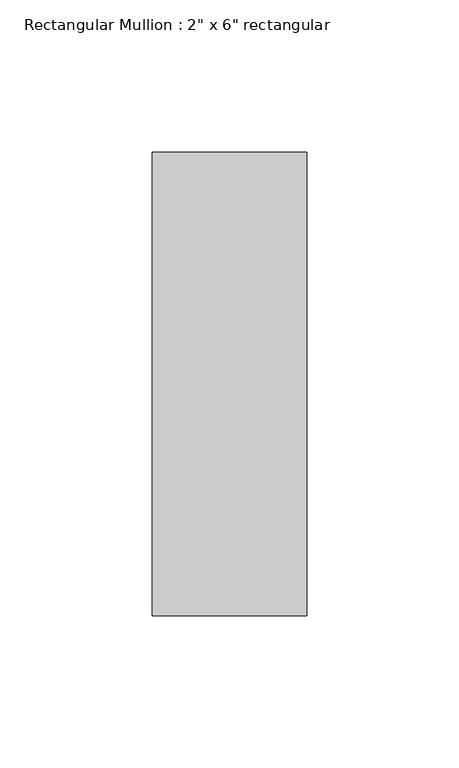
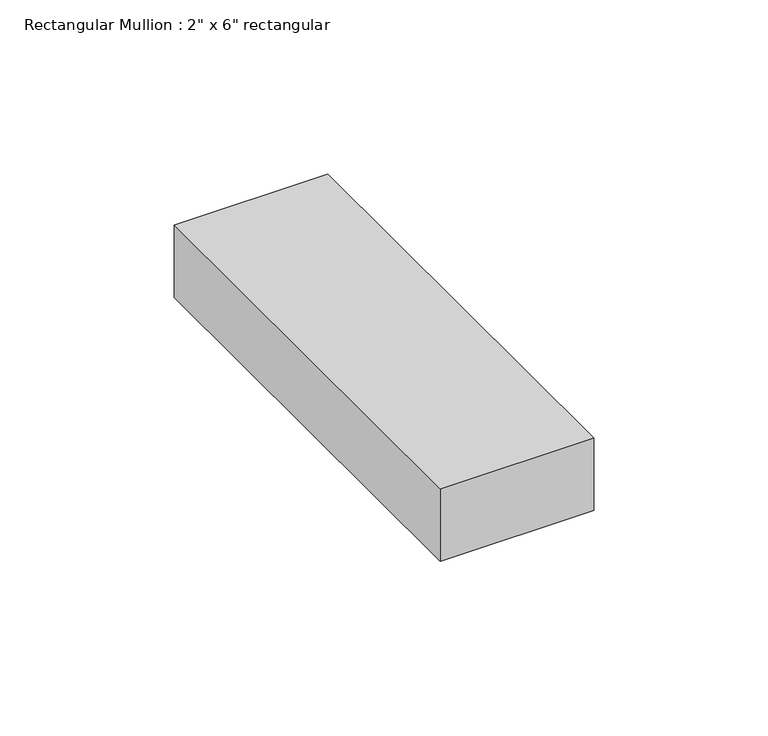
"""IFC4 building model written with IfcOpenShell, lengths in millimetres: member geometry."""

from ifc_helpers import new_model, si_unit, frame, origin, place, context, project, spatial, polyline, outline, extrude, source, transform, mapped, element, save


def member_42b0d285(model_context):
    return source(origin(), model_context, "Body", "SweptSolid", [
        extrude(outline(polyline([(25.4, 76.2), (25.4, -76.2), (-25.4, -76.2), (-25.4, 76.2), (25.4, 76.2)])), frame((0.0, 0.0, -25.4), z_axis=(0.0, 0.0, 1.0), x_axis=(1.0, 0.0, 0.0)), (0.0, 0.0, 1.0), 25.4),
    ])


if __name__ == "__main__":
    model = new_model("IFC4")
    model_context = context("Model", 3, world=origin())
    ifc_project = project(units=[si_unit("LENGTHUNIT", "METRE", prefix="MILLI")], contexts=[model_context])
    site = spatial("IfcSite", under=ifc_project)
    building = spatial("IfcBuilding", under=site)
    placement = place(None, origin())
    member_shape = member_42b0d285(model_context)
    element("IfcMember", 1, ObjectType="Rectangular Mullion : 2\" x 6\" rectangular", at=placement, inside=building, context=model_context, shape_type="MappedRepresentation", body=[
        mapped(member_shape, transform((0.0, 0.0, 0.0), x_axis=(1.0, 0.0, 0.0), y_axis=(0.0, 1.0, 0.0), z_axis=(0.0, 0.0, 1.0))),
    ])
    save(model, "model.ifc")
